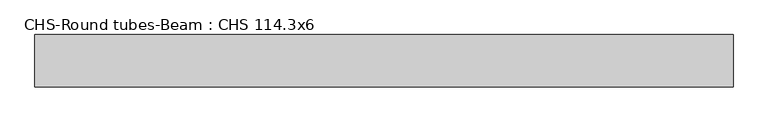
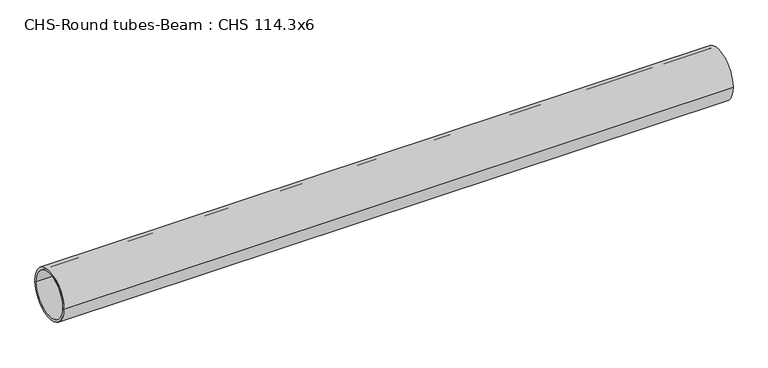
"""IFC4 building model written with IfcOpenShell, lengths in millimetres: beam geometry, CHS-Round tubes-Beam : CHS 114.3x6."""

from ifc_helpers import new_model, si_unit, point, frame, origin, origin_2d, place, context, project, spatial, circle_curve, trimmed, segment, composite_curve, outline, extrude, source, transform, mapped, element, save


def chs_round_tubes_beam_chs_114_3x6_7c8d398e(model_context):
    return source(origin(), model_context, "Body", "SweptSolid", [
        extrude(outline(composite_curve([segment(trimmed(circle_curve(origin_2d(), 57.15), [point((57.15, 0.0))], [point((-57.15, 0.0))], False, "CARTESIAN"), True, "CONTINUOUS"), segment(trimmed(circle_curve(origin_2d(), 57.15), [point((-57.15, 0.0))], [point((57.15, 0.0))], False, "CARTESIAN"), True, "CONTINUOUS")], self_intersect=False), holes=[composite_curve([segment(trimmed(circle_curve(origin_2d(), 51.15), [point((51.15, 0.0))], [point((-51.15, 0.0))], True, "CARTESIAN"), True, "CONTINUOUS"), segment(trimmed(circle_curve(origin_2d(), 51.15), [point((-51.15, 0.0))], [point((51.15, 0.0))], True, "CARTESIAN"), True, "CONTINUOUS")], self_intersect=False)]), frame((-734.3764311, 0.0, 0.0), z_axis=(1.0, 0.0, 0.0), x_axis=(0.0, 1.0, 0.0)), (0.0, 0.0, 1.0), 1522.9108824),
    ])


if __name__ == "__main__":
    model = new_model("IFC4")
    model_context = context("Model", 3, world=origin())
    ifc_project = project(units=[si_unit("LENGTHUNIT", "METRE", prefix="MILLI")], contexts=[model_context])
    site = spatial("IfcSite", under=ifc_project)
    building = spatial("IfcBuilding", under=site)
    placement = place(None, origin())
    chs_round_tubes_beam_chs_114_3x6_shape = chs_round_tubes_beam_chs_114_3x6_7c8d398e(model_context)
    element("IfcBeam", 1, ObjectType="CHS-Round tubes-Beam : CHS 114.3x6", at=placement, inside=building, context=model_context, shape_type="MappedRepresentation", body=[
        mapped(chs_round_tubes_beam_chs_114_3x6_shape, transform((0.0, 0.0, 0.0), x_axis=(1.0, 0.0, 0.0), y_axis=(0.0, 1.0, 0.0), z_axis=(0.0, 0.0, 1.0))),
    ])
    save(model, "model.ifc")
